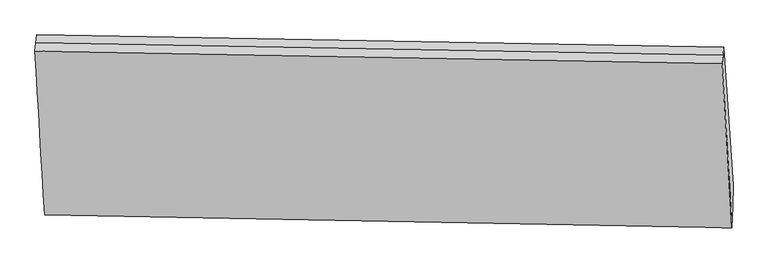
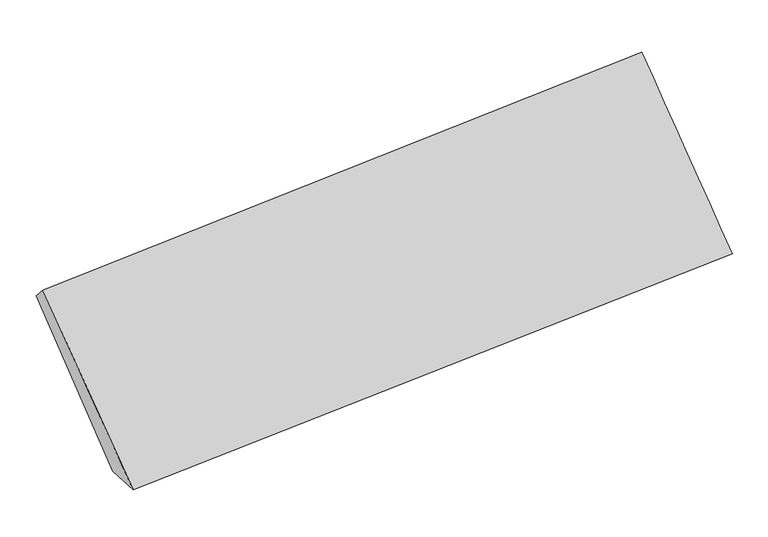
"""IFC4 building model written with IfcOpenShell, lengths in millimetres: proxy geometry."""

from ifc_helpers import new_model, si_unit, frame, origin, place, context, project, spatial, source, transform, mapped, element, save
from ifc_brep_helpers import plane_surface, spline_surface, advanced_brep


def generic_models_82ea4727(model_context):
    return source(origin(), model_context, "Body", "AdvancedBrep", [
        advanced_brep(
        [(-5184.0046052, -1732.4289271, 1331.6060226), (-5245.1125366, -786.6415108, 2252.4060979), (-541.4386555, -870.4167382, 2651.6558348), (-479.1101714, -1817.6472254, 1716.2691126), (-5187.7167713, -1876.8106828, 1343.5245058), (-482.968126, -1963.3256872, 1729.6095062), (-5191.4289374, -2021.1924384, 1355.442989), (-486.8260806, -2109.0041491, 1742.9498998), (-5257.5451549, -897.2225834, 2373.6643955), (-554.0415963, -982.5127329, 2774.5753289), (-5251.3288457, -841.9320471, 2313.0352467), (-547.7401259, -926.4647355, 2713.1155818)],
        [
            (0, 1),
            (1, 2),
            (2, 3),
            (3, 0),
            (4, 0),
            (3, 5),
            (5, 4),
            (6, 4),
            (5, 7),
            (7, 6),
            (8, 6),
            (7, 9),
            (9, 8),
            (10, 8),
            (9, 11),
            (11, 10),
            (1, 10),
            (11, 2),
        ],
        [
            spline_surface(1, 1, [[(-5184.0046052, -1732.4289271, 1331.6060226), (-479.1101714, -1817.6472254, 1716.2691126)], [(-5245.1125366, -786.6415108, 2252.4060979), (-541.4386555, -870.4167382, 2651.6558348)]], [2, 2], [2, 2], [0.0, 1.0], [0.0, 1.0]),
            spline_surface(1, 1, [[(-5187.7167713, -1876.8106828, 1343.5245058), (-482.968126, -1963.3256872, 1729.6095062)], [(-5184.0046052, -1732.4289271, 1331.6060226), (-479.1101714, -1817.6472254, 1716.2691126)]], [2, 2], [2, 2], [0.0, 1.0], [0.0, 1.0]),
            spline_surface(1, 1, [[(-5191.4289374, -2021.1924384, 1355.442989), (-486.8260806, -2109.0041491, 1742.9498998)], [(-5187.7167713, -1876.8106828, 1343.5245058), (-482.968126, -1963.3256872, 1729.6095062)]], [2, 2], [2, 2], [0.0, 1.0], [0.0, 1.0]),
            spline_surface(1, 1, [[(-5257.5451549, -897.2225834, 2373.6643955), (-554.0415963, -982.5127329, 2774.5753289)], [(-5191.4289374, -2021.1924384, 1355.442989), (-486.8260806, -2109.0041491, 1742.9498998)]], [2, 2], [2, 2], [0.0, 1.0], [0.0, 1.0]),
            plane_surface(frame((-5254.4370003, -869.5773152, 2343.3498211), z_axis=(-0.04374465772782457, 0.740410696795165, 0.6707297555585066), x_axis=(-0.07554184880029534, -0.6719018063557245, 0.7367777084682651))),
            plane_surface(frame((-5248.2206912, -814.2867789, 2282.7206723), z_axis=(-0.043744657727824966, 0.740410696795162, 0.6707297555585099), x_axis=(-0.0755418488002957, -0.6719018063557278, 0.7367777084682621))),
            plane_surface(frame((-515.354126, -1444.8952114, 2221.362544), z_axis=(0.9961910027979497, -0.018580088377117984, 0.08519545915313685), x_axis=(0.04396128004389847, -0.7367644816121766, -0.6747188336571336))),
            plane_surface(frame((-5219.5228085, -1359.3713649, 1828.2798762), z_axis=(-0.9961910027979436, 0.018580088377174127, -0.08519545915319579), x_axis=(0.04624453745260712, -0.7157418132866766, -0.6968321888868901))),
        ],
        [
            (0, [[1, 2, 3, 4]]),
            (1, [[5, -4, 6, 7]]),
            (2, [[8, -7, 9, 10]]),
            (3, [[11, -10, 12, 13]]),
            (4, [[14, -13, 15, 16]]),
            (5, [[17, -16, 18, -2]]),
            (6, [[-12, -9, -6, -3, -18, -15]]),
            (7, [[-1, -5, -8, -11, -14, -17]]),
        ],
    ),
    ])


if __name__ == "__main__":
    model = new_model("IFC4")
    model_context = context("Model", 3, world=origin())
    ifc_project = project(units=[si_unit("LENGTHUNIT", "METRE", prefix="MILLI")], contexts=[model_context])
    site = spatial("IfcSite", under=ifc_project)
    building = spatial("IfcBuilding", under=site)
    placement = place(None, origin())
    generic_models_shape = generic_models_82ea4727(model_context)
    element("IfcBuildingElementProxy", 1, Name="Generic Models", at=placement, inside=building, context=model_context, shape_type="MappedRepresentation", body=[
        mapped(generic_models_shape, transform((0.0, 0.0, 0.0), x_axis=(1.0, 0.0, 0.0), y_axis=(0.0, 1.0, 0.0), z_axis=(0.0, 0.0, 1.0))),
    ])
    save(model, "model.ifc")
